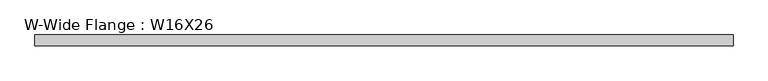
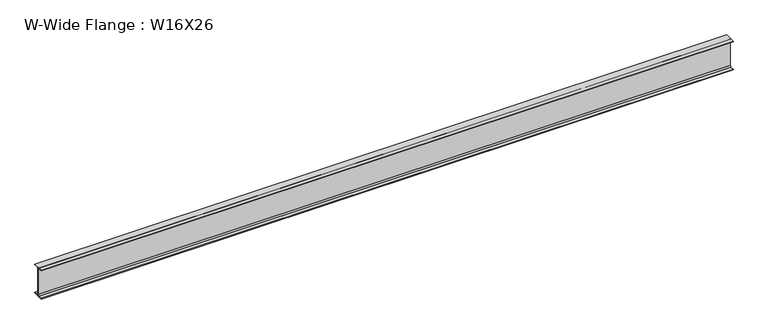
"""IFC4 building model written with IfcOpenShell, lengths in millimetres: beam geometry, W-Wide Flange : W16X26."""

from ifc_helpers import new_model, si_unit, point, frame, frame_2d, origin, place, context, project, spatial, polyline, circle_curve, trimmed, segment, composite_curve, outline, extrude, source, transform, mapped, element, save


def w_wide_flange_w16x26_326c7075(model_context):
    return source(origin(), model_context, "Body", "SweptSolid", [
        extrude(outline(composite_curve([segment(polyline([(69.85, -190.5496094), (69.85, -199.2808594), (-69.85, -199.2808594), (-69.85, -190.5496094), (-21.43125, -190.5496094)]), True, "CONTINUOUS"), segment(trimmed(circle_curve(frame_2d((-21.43125, -172.2933594)), 18.25625), [point((-21.43125, -190.5496094))], [point((-3.175, -172.2933594))], True, "CARTESIAN"), True, "CONTINUOUS"), segment(polyline([(-3.175, -172.2933594), (-3.175, 172.2933594)]), True, "CONTINUOUS"), segment(trimmed(circle_curve(frame_2d((-21.43125, 172.2933594)), 18.25625), [point((-3.175, 172.2933594))], [point((-21.43125, 190.5496094))], True, "CARTESIAN"), True, "CONTINUOUS"), segment(polyline([(-21.43125, 190.5496094), (-69.85, 190.5496094), (-69.85, 199.2808594), (69.85, 199.2808594), (69.85, 190.5496094), (21.43125, 190.5496094)]), True, "CONTINUOUS"), segment(trimmed(circle_curve(frame_2d((21.43125, 172.2933594)), 18.25625), [point((21.43125, 190.5496094))], [point((3.175, 172.2933594))], True, "CARTESIAN"), True, "CONTINUOUS"), segment(polyline([(3.175, 172.2933594), (3.175, -172.2933594)]), True, "CONTINUOUS"), segment(trimmed(circle_curve(frame_2d((21.43125, -172.2933594)), 18.25625), [point((3.175, -172.2933594))], [point((21.43125, -190.5496094))], True, "CARTESIAN"), True, "CONTINUOUS"), segment(polyline([(21.43125, -190.5496094), (69.85, -190.5496094)]), True, "CONTINUOUS")], self_intersect=False)), frame((-4508.5, 0.0, 0.0), z_axis=(1.0, 0.0, 0.0), x_axis=(0.0, 1.0, 0.0)), (0.0, 0.0, 1.0), 9035.653125),
    ])


if __name__ == "__main__":
    model = new_model("IFC4")
    model_context = context("Model", 3, world=origin())
    ifc_project = project(units=[si_unit("LENGTHUNIT", "METRE", prefix="MILLI")], contexts=[model_context])
    site = spatial("IfcSite", under=ifc_project)
    building = spatial("IfcBuilding", under=site)
    placement = place(None, origin())
    w_wide_flange_w16x26_shape = w_wide_flange_w16x26_326c7075(model_context)
    element("IfcBeam", 1, ObjectType="W-Wide Flange : W16X26", at=placement, inside=building, context=model_context, shape_type="MappedRepresentation", body=[
        mapped(w_wide_flange_w16x26_shape, transform((0.0, 0.0, 0.0), x_axis=(1.0, 0.0, 0.0), y_axis=(0.0, 1.0, 0.0), z_axis=(0.0, 0.0, 1.0))),
    ])
    save(model, "model.ifc")
